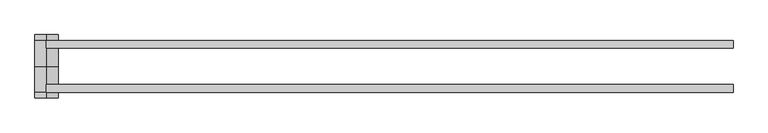
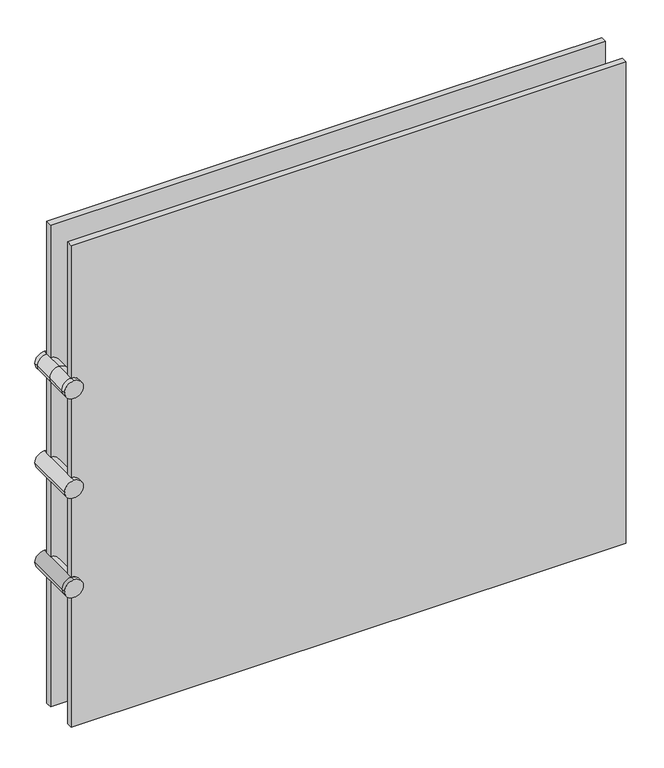
"""IFC4 building model written with IfcOpenShell, lengths in millimetres: plate geometry."""

from ifc_helpers import new_model, si_unit, point, frame, frame_2d, origin, origin_with_axes, place, context, project, spatial, polyline, circle_curve, trimmed, segment, composite_curve, outline, extrude, source, transform, mapped, element, save
from ifc_brep_helpers import plane_surface, cylinder_surface, advanced_brep


def plate_872b0194(model_context):
    return source(origin(), model_context, "Body", "SolidModel", [
        extrude(outline(polyline([(566.1297865, 42.8355237), (566.1297865, 30.1355237), (-566.1297865, 30.1355237), (-566.1297865, 42.8355237), (566.1297865, 42.8355237)])), origin_with_axes(), (0.0, 0.0, 1.0), 1038.5723151),
        extrude(outline(polyline([(566.1297865, -42.8111299), (-566.1297865, -42.8111299), (-566.1297865, -30.1111299), (566.1297865, -30.1111299), (566.1297865, -42.8111299)])), origin_with_axes(), (0.0, 0.0, 1.0), 1038.5723151),
        advanced_brep(
        [(-547.0797865, 52.3605237, 304.8), (-566.1297865, 52.3605237, 285.75), (-585.1797865, 52.3605237, 304.8), (-566.1297865, 52.3605237, 323.85), (-547.0797865, -52.3361299, 304.8), (-566.1297865, -52.3361299, 323.85), (-585.1797865, -52.3361299, 304.8), (-566.1297865, -52.3361299, 285.75), (-547.0797865, -42.8111299, 304.8), (-566.1297865, -42.8111299, 285.75), (-585.1797865, -42.8111299, 304.8), (-566.1297865, -42.8111299, 323.85)],
        [
            (0, 1, circle_curve(frame((-566.1297865, 52.3605237, 304.8), z_axis=(0.0, 1.0, 0.0), x_axis=(0.0, 0.0, 1.0)), 19.05)),
            (1, 2, circle_curve(frame((-566.1297865, 52.3605237, 304.8), z_axis=(0.0, 1.0, 0.0), x_axis=(0.0, 0.0, 1.0)), 19.05)),
            (2, 3, circle_curve(frame((-566.1297865, 52.3605237, 304.8), z_axis=(0.0, 1.0, 0.0), x_axis=(0.0, 0.0, 1.0)), 19.05)),
            (3, 0, circle_curve(frame((-566.1297865, 52.3605237, 304.8), z_axis=(0.0, 1.0, 0.0), x_axis=(0.0, 0.0, 1.0)), 19.05)),
            (4, 5, circle_curve(frame((-566.1297865, -52.3361299, 304.8), z_axis=(0.0, -1.0, 0.0), x_axis=(0.0, 0.0, 1.0)), 19.05)),
            (5, 6, circle_curve(frame((-566.1297865, -52.3361299, 304.8), z_axis=(0.0, -1.0, 0.0), x_axis=(0.0, 0.0, 1.0)), 19.05)),
            (6, 7, circle_curve(frame((-566.1297865, -52.3361299, 304.8), z_axis=(0.0, -1.0, 0.0), x_axis=(0.0, 0.0, 1.0)), 19.05)),
            (7, 4, circle_curve(frame((-566.1297865, -52.3361299, 304.8), z_axis=(0.0, -1.0, 0.0), x_axis=(0.0, 0.0, 1.0)), 19.05)),
            (0, 8),
            (8, 9, circle_curve(frame((-566.1297865, -42.8111299, 304.8), z_axis=(0.0, 1.0, 0.0), x_axis=(0.0, 0.0, 1.0)), 19.05)),
            (9, 1),
            (9, 10, circle_curve(frame((-566.1297865, -42.8111299, 304.8), z_axis=(0.0, 1.0, 0.0), x_axis=(0.0, 0.0, 1.0)), 19.05)),
            (10, 2),
            (10, 11, circle_curve(frame((-566.1297865, -42.8111299, 304.8), z_axis=(0.0, 1.0, 0.0), x_axis=(0.0, 0.0, 1.0)), 19.05)),
            (11, 3),
            (11, 8, circle_curve(frame((-566.1297865, -42.8111299, 304.8), z_axis=(0.0, 1.0, 0.0), x_axis=(0.0, 0.0, 1.0)), 19.05)),
            (8, 4),
            (7, 9),
            (6, 10),
            (5, 11),
        ],
        [
            plane_surface(frame((-566.1297865, 52.3605237, 509.3424206), z_axis=(0.0, 1.0, 0.0), x_axis=(-1.0, 0.0, 0.0))),
            plane_surface(frame((-566.1297865, -52.3361299, 509.3424206), z_axis=(0.0, -1.0, 0.0), x_axis=(-1.0, 0.0, 0.0))),
            cylinder_surface(frame((-566.1297865, 52.3605237, 304.8), z_axis=(0.0, 1.0, 0.0), x_axis=(0.0, 0.0, 1.0)), 19.05),
            cylinder_surface(frame((-566.1297865, -42.8111299, 304.8), z_axis=(0.0, 1.0, 0.0), x_axis=(0.0, 0.0, 1.0)), 19.05),
        ],
        [
            (0, [[1, 2, 3, 4]]),
            (1, [[5, 6, 7, 8]]),
            (2, [[-1, 9, 10, 11]]),
            (2, [[-2, -11, 12, 13]]),
            (2, [[-3, -13, 14, 15]]),
            (2, [[-4, -15, 16, -9]]),
            (3, [[-10, 17, -8, 18]]),
            (3, [[-12, -18, -7, 19]]),
            (3, [[-14, -19, -6, 20]]),
            (3, [[-16, -20, -5, -17]]),
        ],
    ),
        extrude(outline(composite_curve([segment(trimmed(circle_curve(frame_2d((519.2861575, -566.1297865)), 19.05), [point((538.3361575, -566.1297865))], [point((519.2861575, -585.1797865))], False, "CARTESIAN"), True, "CONTINUOUS"), segment(trimmed(circle_curve(frame_2d((519.2861575, -566.1297865)), 19.05), [point((519.2861575, -585.1797865))], [point((500.2361575, -566.1297865))], False, "CARTESIAN"), True, "CONTINUOUS"), segment(trimmed(circle_curve(frame_2d((519.2861575, -566.1297865)), 19.05), [point((500.2361575, -566.1297865))], [point((519.2861575, -547.0797865))], False, "CARTESIAN"), True, "CONTINUOUS"), segment(trimmed(circle_curve(frame_2d((519.2861575, -566.1297865)), 19.05), [point((519.2861575, -547.0797865))], [point((538.3361575, -566.1297865))], False, "CARTESIAN"), True, "CONTINUOUS")], self_intersect=False)), frame((0.0, -52.3361299, 0.0), z_axis=(0.0, 1.0, 0.0), x_axis=(0.0, 0.0, 1.0)), (0.0, 0.0, 1.0), 104.6966536),
        advanced_brep(
        [(-566.1297865, -52.3361299, 752.8223151), (-585.1797865, -52.3361299, 733.7723151), (-566.1297865, -52.3361299, 714.7223151), (-547.0797865, -52.3361299, 733.7723151), (-566.1297865, 52.3605237, 752.8223151), (-547.0797865, 52.3605237, 733.7723151), (-566.1297865, 52.3605237, 714.7223151), (-585.1797865, 52.3605237, 733.7723151), (-585.1797865, 0.0121969, 733.7723151), (-566.1297865, 0.0121969, 752.8223151), (-566.1297865, 42.8355237, 752.8223151), (-585.1797865, 42.8355237, 733.7723151), (-566.1297865, 0.0121969, 714.7223151), (-566.1297865, 42.8355237, 714.7223151), (-547.0797865, 0.0121969, 733.7723151), (-547.0797865, 42.8355237, 733.7723151), (-566.1297865, -42.8111299, 752.8223151), (-585.1797865, -42.8111299, 733.7723151), (-566.1297865, -42.8111299, 714.7223151), (-547.0797865, -42.8111299, 733.7723151)],
        [
            (0, 1, circle_curve(frame((-566.1297865, -52.3361299, 733.7723151), z_axis=(0.0, -1.0, 0.0), x_axis=(0.0, 0.0, -1.0)), 19.05)),
            (1, 2, circle_curve(frame((-566.1297865, -52.3361299, 733.7723151), z_axis=(0.0, -1.0, 0.0), x_axis=(0.0, 0.0, -1.0)), 19.05)),
            (2, 3, circle_curve(frame((-566.1297865, -52.3361299, 733.7723151), z_axis=(0.0, -1.0, 0.0), x_axis=(0.0, 0.0, -1.0)), 19.05)),
            (3, 0, circle_curve(frame((-566.1297865, -52.3361299, 733.7723151), z_axis=(0.0, -1.0, 0.0), x_axis=(0.0, 0.0, -1.0)), 19.05)),
            (4, 5, circle_curve(frame((-566.1297865, 52.3605237, 733.7723151), z_axis=(0.0, 1.0, 0.0), x_axis=(0.0, 0.0, -1.0)), 19.05)),
            (5, 6, circle_curve(frame((-566.1297865, 52.3605237, 733.7723151), z_axis=(0.0, 1.0, 0.0), x_axis=(0.0, 0.0, -1.0)), 19.05)),
            (6, 7, circle_curve(frame((-566.1297865, 52.3605237, 733.7723151), z_axis=(0.0, 1.0, 0.0), x_axis=(0.0, 0.0, -1.0)), 19.05)),
            (7, 4, circle_curve(frame((-566.1297865, 52.3605237, 733.7723151), z_axis=(0.0, 1.0, 0.0), x_axis=(0.0, 0.0, -1.0)), 19.05)),
            (8, 9, circle_curve(frame((-566.1297865, 0.0121969, 733.7723151), z_axis=(0.0, 1.0, 0.0), x_axis=(0.0, 0.0, -1.0)), 19.05)),
            (9, 10),
            (10, 11, circle_curve(frame((-566.1297865, 42.8355237, 733.7723151), z_axis=(0.0, -1.0, 0.0), x_axis=(0.0, 0.0, -1.0)), 19.05)),
            (11, 8),
            (12, 8, circle_curve(frame((-566.1297865, 0.0121969, 733.7723151), z_axis=(0.0, 1.0, 0.0), x_axis=(0.0, 0.0, -1.0)), 19.05)),
            (11, 13, circle_curve(frame((-566.1297865, 42.8355237, 733.7723151), z_axis=(0.0, -1.0, 0.0), x_axis=(0.0, 0.0, -1.0)), 19.05)),
            (13, 12),
            (14, 12, circle_curve(frame((-566.1297865, 0.0121969, 733.7723151), z_axis=(0.0, 1.0, 0.0), x_axis=(0.0, 0.0, -1.0)), 19.05)),
            (13, 15, circle_curve(frame((-566.1297865, 42.8355237, 733.7723151), z_axis=(0.0, -1.0, 0.0), x_axis=(0.0, 0.0, -1.0)), 19.05)),
            (15, 14),
            (9, 14, circle_curve(frame((-566.1297865, 0.0121969, 733.7723151), z_axis=(0.0, 1.0, 0.0), x_axis=(0.0, 0.0, -1.0)), 19.05)),
            (15, 10, circle_curve(frame((-566.1297865, 42.8355237, 733.7723151), z_axis=(0.0, -1.0, 0.0), x_axis=(0.0, 0.0, -1.0)), 19.05)),
            (10, 4),
            (7, 11),
            (6, 13),
            (5, 15),
            (0, 16),
            (16, 17, circle_curve(frame((-566.1297865, -42.8111299, 733.7723151), z_axis=(0.0, -1.0, 0.0), x_axis=(0.0, 0.0, -1.0)), 19.05)),
            (17, 1),
            (17, 18, circle_curve(frame((-566.1297865, -42.8111299, 733.7723151), z_axis=(0.0, -1.0, 0.0), x_axis=(0.0, 0.0, -1.0)), 19.05)),
            (18, 2),
            (18, 19, circle_curve(frame((-566.1297865, -42.8111299, 733.7723151), z_axis=(0.0, -1.0, 0.0), x_axis=(0.0, 0.0, -1.0)), 19.05)),
            (19, 3),
            (19, 16, circle_curve(frame((-566.1297865, -42.8111299, 733.7723151), z_axis=(0.0, -1.0, 0.0), x_axis=(0.0, 0.0, -1.0)), 19.05)),
            (16, 9),
            (8, 17),
            (12, 18),
            (14, 19),
        ],
        [
            plane_surface(frame((-566.1297865, -52.3361299, 733.7723151), z_axis=(0.0, -1.0, 0.0), x_axis=(-1.0, 0.0, 0.0))),
            plane_surface(frame((-566.1297865, 52.3605237, 733.7723151), z_axis=(0.0, 1.0, 0.0), x_axis=(-1.0, 0.0, 0.0))),
            cylinder_surface(frame((-566.1297865, 0.0121969, 733.7723151), z_axis=(0.0, -1.0, 0.0), x_axis=(0.0, 0.0, -1.0)), 19.05),
            cylinder_surface(frame((-566.1297865, 42.8355237, 733.7723151), z_axis=(0.0, -1.0, 0.0), x_axis=(0.0, 0.0, -1.0)), 19.05),
            cylinder_surface(frame((-566.1297865, -52.3361299, 733.7723151), z_axis=(0.0, -1.0, 0.0), x_axis=(0.0, 0.0, -1.0)), 19.05),
            cylinder_surface(frame((-566.1297865, -42.8111299, 733.7723151), z_axis=(0.0, -1.0, 0.0), x_axis=(0.0, 0.0, -1.0)), 19.05),
        ],
        [
            (0, [[1, 2, 3, 4]]),
            (1, [[5, 6, 7, 8]]),
            (2, [[9, 10, 11, 12]]),
            (2, [[13, -12, 14, 15]]),
            (2, [[16, -15, 17, 18]]),
            (2, [[19, -18, 20, -10]]),
            (3, [[-11, 21, -8, 22]]),
            (3, [[-14, -22, -7, 23]]),
            (3, [[-17, -23, -6, 24]]),
            (3, [[-20, -24, -5, -21]]),
            (4, [[-1, 25, 26, 27]]),
            (4, [[-2, -27, 28, 29]]),
            (4, [[-3, -29, 30, 31]]),
            (4, [[-4, -31, 32, -25]]),
            (5, [[-26, 33, -9, 34]]),
            (5, [[-28, -34, -13, 35]]),
            (5, [[-30, -35, -16, 36]]),
            (5, [[-32, -36, -19, -33]]),
        ],
    ),
    ])


if __name__ == "__main__":
    model = new_model("IFC4")
    model_context = context("Model", 3, world=origin())
    ifc_project = project(units=[si_unit("LENGTHUNIT", "METRE", prefix="MILLI")], contexts=[model_context])
    site = spatial("IfcSite", under=ifc_project)
    building = spatial("IfcBuilding", under=site)
    placement = place(None, origin())
    plate_shape = plate_872b0194(model_context)
    element("IfcPlate", 1, at=placement, inside=building, context=model_context, shape_type="MappedRepresentation", body=[
        mapped(plate_shape, transform((0.0, 0.0, 0.0), x_axis=(1.0, 0.0, 0.0), y_axis=(0.0, 1.0, 0.0), z_axis=(0.0, 0.0, 1.0))),
    ])
    save(model, "model.ifc")
